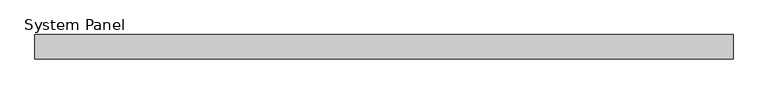
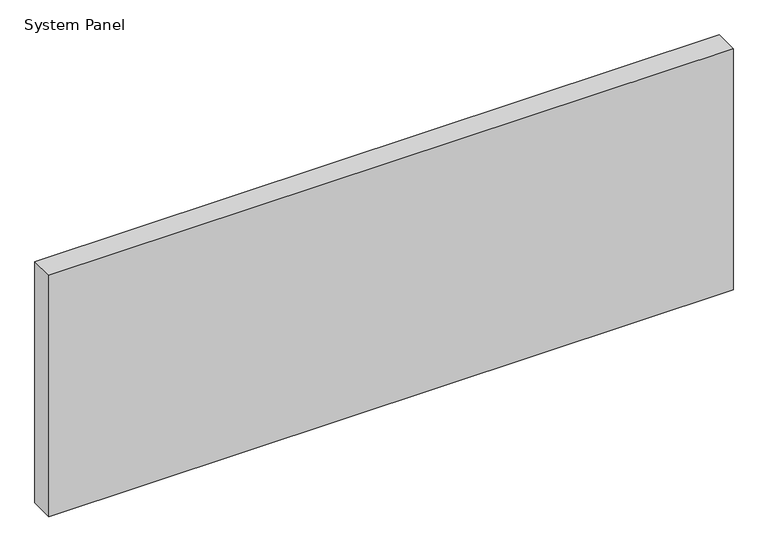
"""IFC4 building model written with IfcOpenShell, lengths in millimetres: plate geometry, System Panel."""

from ifc_helpers import new_model, si_unit, origin, origin_with_axes, place, context, project, spatial, polyline, outline, extrude, source, transform, mapped, element, save


def system_panel_0785c381(model_context):
    return source(origin(), model_context, "Body", "SweptSolid", [
        extrude(outline(polyline([(570.0, -54.0), (-570.0, -54.0), (-570.0, -14.0), (570.0, -14.0), (570.0, -54.0)])), origin_with_axes(), (0.0, 0.0, 1.0), 425.0),
    ])


if __name__ == "__main__":
    model = new_model("IFC4")
    model_context = context("Model", 3, world=origin())
    ifc_project = project(units=[si_unit("LENGTHUNIT", "METRE", prefix="MILLI")], contexts=[model_context])
    site = spatial("IfcSite", under=ifc_project)
    building = spatial("IfcBuilding", under=site)
    placement = place(None, origin())
    system_panel_shape = system_panel_0785c381(model_context)
    element("IfcPlate", 1, ObjectType="System Panel", at=placement, inside=building, context=model_context, shape_type="MappedRepresentation", body=[
        mapped(system_panel_shape, transform((0.0, 0.0, 0.0), x_axis=(1.0, 0.0, 0.0), y_axis=(0.0, 1.0, 0.0), z_axis=(0.0, 0.0, 1.0))),
    ])
    save(model, "model.ifc")
